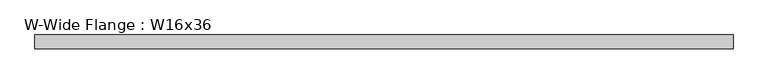
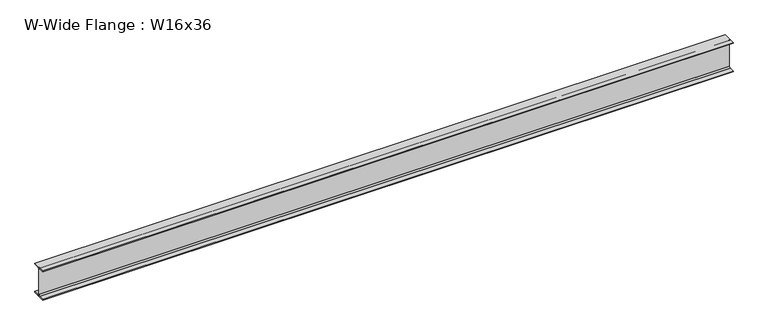
"""IFC4 building model written with IfcOpenShell, lengths in millimetres: beam geometry, W-Wide Flange : W16x36."""

import ifcopenshell
import ifcopenshell.guid

model = None  # the IFC model being written
_history = None  # IfcOwnerHistory: only IFC2X3 demands one
_inside = {}  # id of a spatial element -> (the spatial element, [elements in it])
_under = {}  # id of a project, library or spatial element -> (it, [spatial elements below it])
_declared = {}  # id of a project -> (the project, [libraries it declares])
_typed = {}  # id of a type object -> (the type object, [elements of that type])
_made_of = {}  # id of a material, layer set ... -> (it, [elements and type objects made of it])


def new_model(schema):
    """Start an empty IFC model of exactly this schema.

    Asked for "IFC4X3", IfcOpenShell would pick the latest addendum, in which some entities
    have other attributes; the version numbers below select the first issue.
    IFC2X3 requires an IfcOwnerHistory on every rooted entity: one is made here for all.
    """
    global model, _history
    if schema == "IFC4X3":
        model = ifcopenshell.file(schema_version=(4, 3, 0, 0))
    else:
        model = ifcopenshell.file(schema=schema)
    _inside.clear()
    _under.clear()
    _declared.clear()
    _typed.clear()
    _made_of.clear()
    _history = None
    if model.schema == "IFC2X3":
        org = make("IfcOrganization", Name="unknown")
        user = make(
            "IfcPersonAndOrganization",
            ThePerson=make("IfcPerson", FamilyName="unknown"),
            TheOrganization=org,
        )
        app = make(
            "IfcApplication",
            ApplicationDeveloper=org,
            Version="unknown",
            ApplicationFullName="unknown",
            ApplicationIdentifier="unknown",
        )
        _history = make(
            "IfcOwnerHistory",
            OwningUser=user,
            OwningApplication=app,
            ChangeAction="ADDED",
            CreationDate=0,
        )
    return model


def make(cls, **values):
    """One entity of the class cls with the attributes given. An attribute that is None is left unset."""
    return model.create_entity(
        cls, **{name: value for name, value in values.items() if value is not None}
    )


def rooted(cls, **values):
    """An entity with a GlobalId (a new one), such as an element, a storey or a relation."""
    return make(cls, GlobalId=ifcopenshell.guid.new(), OwnerHistory=_history, **values)


def si_unit(unit_type, name, prefix=None):
    """IfcSIUnit, for example si_unit("LENGTHUNIT", "METRE", prefix="MILLI")."""
    return make("IfcSIUnit", UnitType=unit_type, Prefix=prefix, Name=name)


def assignment(units):
    """IfcUnitAssignment: the units of a project."""
    return None if units is None else make("IfcUnitAssignment", Units=units)


def point(xyz):
    """IfcCartesianPoint."""
    return None if xyz is None else make("IfcCartesianPoint", Coordinates=xyz)


def direction(xyz):
    """IfcDirection."""
    return None if xyz is None else make("IfcDirection", DirectionRatios=xyz)


def frame(location, z_axis=None, x_axis=None):
    """IfcAxis2Placement3D, a coordinate frame: its origin and axes. An axis left out is left unset."""
    return make(
        "IfcAxis2Placement3D",
        Location=point(location),
        Axis=direction(z_axis),
        RefDirection=direction(x_axis),
    )


def frame_2d(location, x_axis=None):
    """IfcAxis2Placement2D, a coordinate frame in the plane: its origin and x axis."""
    return make(
        "IfcAxis2Placement2D", Location=point(location), RefDirection=direction(x_axis)
    )


def origin():
    """The frame at (0, 0, 0) with its axes left unset."""
    return frame((0.0, 0.0, 0.0))


def place(relative_to, where):
    """IfcLocalPlacement: puts the frame where relative to a parent placement (None: the world)."""
    return make(
        "IfcLocalPlacement", PlacementRelTo=relative_to, RelativePlacement=where
    )


def context(
    kind, dimensions, precision=None, world=None, true_north=None, identifier=None
):
    """IfcGeometricRepresentationContext, for example the 3D "Model" context."""
    return make(
        "IfcGeometricRepresentationContext",
        ContextIdentifier=identifier,
        ContextType=kind,
        CoordinateSpaceDimension=dimensions,
        Precision=precision,
        WorldCoordinateSystem=world,
        TrueNorth=true_north,
    )


def project(units=None, contexts=None):
    """IfcProject with its units and contexts."""
    return rooted(
        "IfcProject",
        Name="project",
        RepresentationContexts=contexts,
        UnitsInContext=assignment(units),
    )


def spatial(cls, under=None, at=None, **own):
    """A site, building, storey or space (cls), placed at a placement, below another one or the project."""
    s = rooted(cls, ObjectPlacement=at, **own)
    if under is not None:
        _under.setdefault(under.id(), (under, []))[1].append(s)
    return s


def polyline(points):
    """IfcPolyline through the points."""
    return make("IfcPolyline", Points=[point(p) for p in points])


def circle_curve(where, radius):
    """IfcCircle in the frame where."""
    return make("IfcCircle", Position=where, Radius=radius)


def trimmed(basis, trim1, trim2, sense, master):
    """IfcTrimmedCurve: the piece of a basis curve between two trims."""
    return make(
        "IfcTrimmedCurve",
        BasisCurve=basis,
        Trim1=trim1,
        Trim2=trim2,
        SenseAgreement=sense,
        MasterRepresentation=master,
    )


def segment(curve, same_sense, transition):
    """IfcCompositeCurveSegment."""
    return make(
        "IfcCompositeCurveSegment",
        Transition=transition,
        SameSense=same_sense,
        ParentCurve=curve,
    )


def composite_curve(segments, self_intersect=None):
    """IfcCompositeCurve: segments joined end to end."""
    return make("IfcCompositeCurve", Segments=segments, SelfIntersect=self_intersect)


def outline(outer, holes=None, kind="AREA"):
    """IfcArbitraryClosedProfileDef: a profile drawn as a closed curve; with holes, ...WithVoids."""
    if holes is None:
        return make("IfcArbitraryClosedProfileDef", ProfileType=kind, OuterCurve=outer)
    return make(
        "IfcArbitraryProfileDefWithVoids",
        ProfileType=kind,
        OuterCurve=outer,
        InnerCurves=holes,
    )


def extrude(swept, where, along, depth):
    """IfcExtrudedAreaSolid: the profile swept, set in the frame where, extruded along a direction by depth."""
    return make(
        "IfcExtrudedAreaSolid",
        SweptArea=swept,
        Position=where,
        ExtrudedDirection=direction(along),
        Depth=depth,
    )


def shape(context_of_items, identifier, shape_type, items):
    """IfcShapeRepresentation: the items that make up one representation, for example the "Body"."""
    return make(
        "IfcShapeRepresentation",
        ContextOfItems=context_of_items,
        RepresentationIdentifier=identifier,
        RepresentationType=shape_type,
        Items=items,
    )


def source(mapping_origin, context_of_items, identifier, shape_type, items):
    """IfcRepresentationMap: a shape defined once, which mapped items show again and again."""
    return make(
        "IfcRepresentationMap",
        MappingOrigin=mapping_origin,
        MappedRepresentation=shape(context_of_items, identifier, shape_type, items),
    )


def transform(
    local_origin,
    x_axis=None,
    y_axis=None,
    z_axis=None,
    scale=None,
    scale2=None,
    scale3=None,
    uniform=True,
):
    """IfcCartesianTransformationOperator3D, or its non-uniform kind. x_axis, y_axis, z_axis: its Axis1, 2, 3."""
    if uniform:
        return make(
            "IfcCartesianTransformationOperator3D",
            Axis1=direction(x_axis),
            Axis2=direction(y_axis),
            LocalOrigin=point(local_origin),
            Scale=scale,
            Axis3=direction(z_axis),
        )
    return make(
        "IfcCartesianTransformationOperator3DnonUniform",
        Axis1=direction(x_axis),
        Axis2=direction(y_axis),
        LocalOrigin=point(local_origin),
        Scale=scale,
        Axis3=direction(z_axis),
        Scale2=scale2,
        Scale3=scale3,
    )


def mapped(mapping_source, mapping_target):
    """IfcMappedItem: shows the shape of a source again, moved by a transform."""
    return make(
        "IfcMappedItem", MappingSource=mapping_source, MappingTarget=mapping_target
    )


def made_of(thing, what):
    """Note that an element or type object is made of a material, layer set ...; save() writes the relation."""
    if what is not None:
        _made_of.setdefault(what.id(), (what, []))[1].append(thing)
    return thing


def element(
    cls,
    number,
    at=None,
    inside=None,
    cuts=None,
    type_object=None,
    material=None,
    context=None,
    identifier="Body",
    shape_type=None,
    held_by="IfcProductDefinitionShape",
    body=None,
    shapes=None,
    **own,
):
    """One element of the class cls, such as IfcWall. Its Tag is "e" and its number.

    at: its placement. inside: the storey or other place that contains it. cuts: it is an
    opening in that element (IfcRelVoidsElement). A single representation is given by context,
    identifier, shape_type and body (its items); several are given by shapes. held_by: the class
    of the entity that holds the representations. save() writes the other relations.
    """
    e = rooted(cls, Tag="e%d" % number, ObjectPlacement=at, **own)
    if body is not None:
        shapes = [shape(context, identifier, shape_type, body)]
    if shapes is not None:
        e.Representation = make(held_by, Representations=shapes)
    if inside is not None:
        _inside.setdefault(inside.id(), (inside, []))[1].append(e)
    if cuts is not None:
        rooted(
            "IfcRelVoidsElement", RelatingBuildingElement=cuts, RelatedOpeningElement=e
        )
    if type_object is not None:
        _typed.setdefault(type_object.id(), (type_object, []))[1].append(e)
    return made_of(e, material)


def aggregate(whole, parts):
    """IfcRelAggregates: a whole, such as a stair, and the parts it consists of."""
    return rooted("IfcRelAggregates", RelatingObject=whole, RelatedObjects=parts)


def save(model, path):
    """Write the relations noted so far, then the file.

    IfcRelAggregates (storeys below a building ...), IfcRelContainedInSpatialStructure (elements
    in a storey), IfcRelDefinesByType, IfcRelAssociatesMaterial and IfcRelDeclares: one each for
    every whole, place, type object, material and project.
    """
    for whole, parts in _under.values():
        aggregate(whole, parts)
    for where, things in _inside.values():
        rooted(
            "IfcRelContainedInSpatialStructure",
            RelatedElements=things,
            RelatingStructure=where,
        )
    for kind, things in _typed.values():
        rooted("IfcRelDefinesByType", RelatedObjects=things, RelatingType=kind)
    for what, things in _made_of.values():
        rooted("IfcRelAssociatesMaterial", RelatedObjects=things, RelatingMaterial=what)
    for by, libraries in _declared.values():
        rooted("IfcRelDeclares", RelatingContext=by, RelatedDefinitions=libraries)
    model.write(path)


def w_wide_flange_w16x36_bfc43e56(model_context):
    return source(origin(), model_context, "Body", "SweptSolid", [
        extrude(outline(composite_curve([segment(polyline([(88.773, -191.008), (88.773, -201.93), (-88.773, -201.93), (-88.773, -191.008), (-21.3995, -191.008)]), True, "CONTINUOUS"), segment(trimmed(circle_curve(frame_2d((-21.3995, -173.355)), 17.653), [point((-21.3995, -191.008))], [point((-3.7465, -173.355))], True, "CARTESIAN"), True, "CONTINUOUS"), segment(polyline([(-3.7465, -173.355), (-3.7465, 173.355)]), True, "CONTINUOUS"), segment(trimmed(circle_curve(frame_2d((-21.3995, 173.355)), 17.653), [point((-3.7465, 173.355))], [point((-21.3995, 191.008))], True, "CARTESIAN"), True, "CONTINUOUS"), segment(polyline([(-21.3995, 191.008), (-88.773, 191.008), (-88.773, 201.93), (88.773, 201.93), (88.773, 191.008), (21.3995, 191.008)]), True, "CONTINUOUS"), segment(trimmed(circle_curve(frame_2d((21.3995, 173.355)), 17.653), [point((21.3995, 191.008))], [point((3.7465, 173.355))], True, "CARTESIAN"), True, "CONTINUOUS"), segment(polyline([(3.7465, 173.355), (3.7465, -173.355)]), True, "CONTINUOUS"), segment(trimmed(circle_curve(frame_2d((21.3995, -173.355)), 17.653), [point((3.7465, -173.355))], [point((21.3995, -191.008))], True, "CARTESIAN"), True, "CONTINUOUS"), segment(polyline([(21.3995, -191.008), (88.773, -191.008)]), True, "CONTINUOUS")], self_intersect=False)), frame((-4509.77, 0.0, 0.0), z_axis=(1.0, 0.0, 0.0), x_axis=(0.0, 1.0, 0.0)), (0.0, 0.0, 1.0), 9019.54),
    ])


if __name__ == "__main__":
    model = new_model("IFC4")
    model_context = context("Model", 3, world=origin())
    ifc_project = project(units=[si_unit("LENGTHUNIT", "METRE", prefix="MILLI")], contexts=[model_context])
    site = spatial("IfcSite", under=ifc_project)
    building = spatial("IfcBuilding", under=site)
    placement = place(None, origin())
    w_wide_flange_w16x36_shape = w_wide_flange_w16x36_bfc43e56(model_context)
    element("IfcBeam", 1, ObjectType="W-Wide Flange : W16x36", at=placement, inside=building, context=model_context, shape_type="MappedRepresentation", body=[
        mapped(w_wide_flange_w16x36_shape, transform((0.0, 0.0, 0.0), x_axis=(1.0, 0.0, 0.0), y_axis=(0.0, 1.0, 0.0), z_axis=(0.0, 0.0, 1.0))),
    ])
    save(model, "model.ifc")
